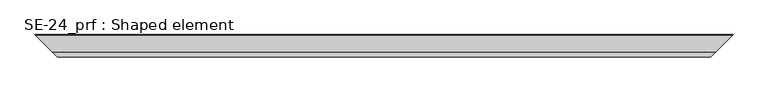
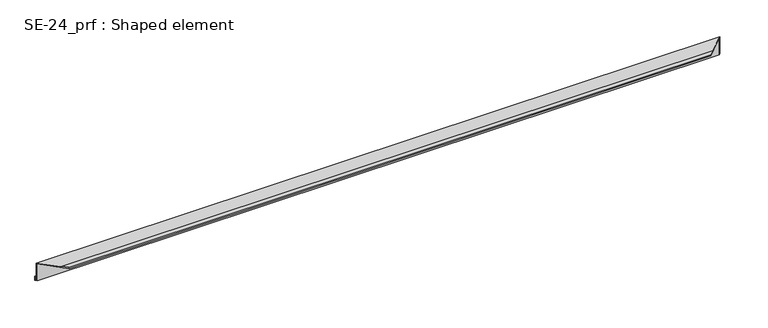
"""IFC4 building model written with IfcOpenShell, lengths in millimetres: proxy geometry, SE-24_prf : Shaped element."""

from ifc_helpers import new_model, si_unit, origin, place, context, project, spatial, faceted_brep, source, transform, mapped, element, save


def se_24_prf_shaped_element_721cb710(model_context):
    return source(origin(), model_context, "Body", "Brep", [
        faceted_brep([(2.0, -2.0, -45.0), (1508.0, -2.0, -45.0), (1505.0, -5.0, -45.0), (5.0, -5.0, -45.0), (2.0, -2.0, -35.0), (1508.0, -2.0, -35.0), (3.0, -3.0, -35.0), (1507.0, -3.0, -35.0), (3.0, -3.0, -44.0), (1507.0, -3.0, -44.0), (4.0, -4.0, -44.0), (1506.0, -4.0, -44.0), (4.0, -4.0, -4.0), (1506.0, -4.0, -4.0), (49.0, -49.0, -4.0), (1461.0, -49.0, -4.0), (49.0, -49.0, -3.0), (1461.0, -49.0, -3.0), (40.0, -40.0, -3.0), (1470.0, -40.0, -3.0), (40.0, -40.0, -2.0), (1470.0, -40.0, -2.0), (50.0, -50.0, -2.0), (1460.0, -50.0, -2.0), (50.0, -50.0, -5.0), (1460.0, -50.0, -5.0), (5.0, -5.0, -5.0), (1505.0, -5.0, -5.0)], [[[0, 1, 2, 3]], [[4, 5, 1, 0]], [[6, 7, 5, 4]], [[8, 9, 7, 6]], [[10, 11, 9, 8]], [[12, 13, 11, 10]], [[14, 15, 13, 12]], [[16, 17, 15, 14]], [[18, 19, 17, 16]], [[20, 21, 19, 18]], [[22, 23, 21, 20]], [[24, 25, 23, 22]], [[26, 27, 25, 24]], [[3, 2, 27, 26]], [[3, 26, 24, 22, 20, 18, 16, 14, 12, 10, 8, 6, 4, 0]], [[1, 5, 7, 9, 11, 13, 15, 17, 19, 21, 23, 25, 27, 2]]]),
    ])


if __name__ == "__main__":
    model = new_model("IFC4")
    model_context = context("Model", 3, world=origin())
    ifc_project = project(units=[si_unit("LENGTHUNIT", "METRE", prefix="MILLI")], contexts=[model_context])
    site = spatial("IfcSite", under=ifc_project)
    building = spatial("IfcBuilding", under=site)
    placement = place(None, origin())
    se_24_prf_shaped_element_shape = se_24_prf_shaped_element_721cb710(model_context)
    element("IfcBuildingElementProxy", 1, Name="SE-24_prf : Shaped element", ObjectType="SE-24_prf : Shaped element", at=placement, inside=building, context=model_context, shape_type="MappedRepresentation", body=[
        mapped(se_24_prf_shaped_element_shape, transform((0.0, 0.0, 0.0), x_axis=(1.0, 0.0, 0.0), y_axis=(0.0, 1.0, 0.0), z_axis=(0.0, 0.0, 1.0))),
    ])
    save(model, "model.ifc")
